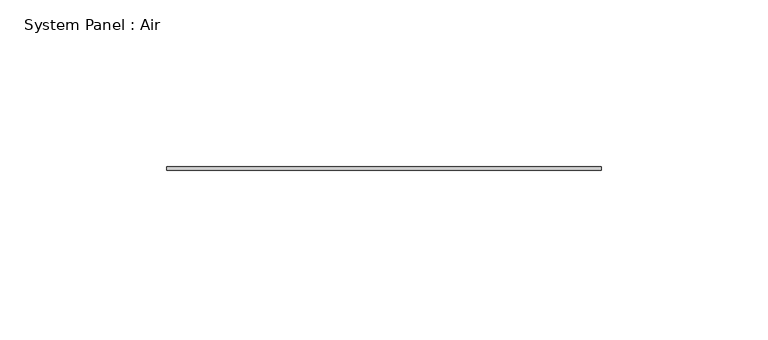
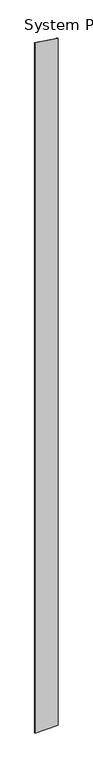
"""IFC4 building model written with IfcOpenShell, lengths in millimetres: plate geometry, System Panel : Air."""

import ifcopenshell
import ifcopenshell.guid

model = None  # the IFC model being written
_history = None  # IfcOwnerHistory: only IFC2X3 demands one
_inside = {}  # id of a spatial element -> (the spatial element, [elements in it])
_under = {}  # id of a project, library or spatial element -> (it, [spatial elements below it])
_declared = {}  # id of a project -> (the project, [libraries it declares])
_typed = {}  # id of a type object -> (the type object, [elements of that type])
_made_of = {}  # id of a material, layer set ... -> (it, [elements and type objects made of it])


def new_model(schema):
    """Start an empty IFC model of exactly this schema.

    Asked for "IFC4X3", IfcOpenShell would pick the latest addendum, in which some entities
    have other attributes; the version numbers below select the first issue.
    IFC2X3 requires an IfcOwnerHistory on every rooted entity: one is made here for all.
    """
    global model, _history
    if schema == "IFC4X3":
        model = ifcopenshell.file(schema_version=(4, 3, 0, 0))
    else:
        model = ifcopenshell.file(schema=schema)
    _inside.clear()
    _under.clear()
    _declared.clear()
    _typed.clear()
    _made_of.clear()
    _history = None
    if model.schema == "IFC2X3":
        org = make("IfcOrganization", Name="unknown")
        user = make(
            "IfcPersonAndOrganization",
            ThePerson=make("IfcPerson", FamilyName="unknown"),
            TheOrganization=org,
        )
        app = make(
            "IfcApplication",
            ApplicationDeveloper=org,
            Version="unknown",
            ApplicationFullName="unknown",
            ApplicationIdentifier="unknown",
        )
        _history = make(
            "IfcOwnerHistory",
            OwningUser=user,
            OwningApplication=app,
            ChangeAction="ADDED",
            CreationDate=0,
        )
    return model


def make(cls, **values):
    """One entity of the class cls with the attributes given. An attribute that is None is left unset."""
    return model.create_entity(
        cls, **{name: value for name, value in values.items() if value is not None}
    )


def rooted(cls, **values):
    """An entity with a GlobalId (a new one), such as an element, a storey or a relation."""
    return make(cls, GlobalId=ifcopenshell.guid.new(), OwnerHistory=_history, **values)


def si_unit(unit_type, name, prefix=None):
    """IfcSIUnit, for example si_unit("LENGTHUNIT", "METRE", prefix="MILLI")."""
    return make("IfcSIUnit", UnitType=unit_type, Prefix=prefix, Name=name)


def assignment(units):
    """IfcUnitAssignment: the units of a project."""
    return None if units is None else make("IfcUnitAssignment", Units=units)


def point(xyz):
    """IfcCartesianPoint."""
    return None if xyz is None else make("IfcCartesianPoint", Coordinates=xyz)


def direction(xyz):
    """IfcDirection."""
    return None if xyz is None else make("IfcDirection", DirectionRatios=xyz)


def frame(location, z_axis=None, x_axis=None):
    """IfcAxis2Placement3D, a coordinate frame: its origin and axes. An axis left out is left unset."""
    return make(
        "IfcAxis2Placement3D",
        Location=point(location),
        Axis=direction(z_axis),
        RefDirection=direction(x_axis),
    )


def origin():
    """The frame at (0, 0, 0) with its axes left unset."""
    return frame((0.0, 0.0, 0.0))


def place(relative_to, where):
    """IfcLocalPlacement: puts the frame where relative to a parent placement (None: the world)."""
    return make(
        "IfcLocalPlacement", PlacementRelTo=relative_to, RelativePlacement=where
    )


def context(
    kind, dimensions, precision=None, world=None, true_north=None, identifier=None
):
    """IfcGeometricRepresentationContext, for example the 3D "Model" context."""
    return make(
        "IfcGeometricRepresentationContext",
        ContextIdentifier=identifier,
        ContextType=kind,
        CoordinateSpaceDimension=dimensions,
        Precision=precision,
        WorldCoordinateSystem=world,
        TrueNorth=true_north,
    )


def project(units=None, contexts=None):
    """IfcProject with its units and contexts."""
    return rooted(
        "IfcProject",
        Name="project",
        RepresentationContexts=contexts,
        UnitsInContext=assignment(units),
    )


def spatial(cls, under=None, at=None, **own):
    """A site, building, storey or space (cls), placed at a placement, below another one or the project."""
    s = rooted(cls, ObjectPlacement=at, **own)
    if under is not None:
        _under.setdefault(under.id(), (under, []))[1].append(s)
    return s


def polyline(points):
    """IfcPolyline through the points."""
    return make("IfcPolyline", Points=[point(p) for p in points])


def outline(outer, holes=None, kind="AREA"):
    """IfcArbitraryClosedProfileDef: a profile drawn as a closed curve; with holes, ...WithVoids."""
    if holes is None:
        return make("IfcArbitraryClosedProfileDef", ProfileType=kind, OuterCurve=outer)
    return make(
        "IfcArbitraryProfileDefWithVoids",
        ProfileType=kind,
        OuterCurve=outer,
        InnerCurves=holes,
    )


def extrude(swept, where, along, depth):
    """IfcExtrudedAreaSolid: the profile swept, set in the frame where, extruded along a direction by depth."""
    return make(
        "IfcExtrudedAreaSolid",
        SweptArea=swept,
        Position=where,
        ExtrudedDirection=direction(along),
        Depth=depth,
    )


def shape(context_of_items, identifier, shape_type, items):
    """IfcShapeRepresentation: the items that make up one representation, for example the "Body"."""
    return make(
        "IfcShapeRepresentation",
        ContextOfItems=context_of_items,
        RepresentationIdentifier=identifier,
        RepresentationType=shape_type,
        Items=items,
    )


def source(mapping_origin, context_of_items, identifier, shape_type, items):
    """IfcRepresentationMap: a shape defined once, which mapped items show again and again."""
    return make(
        "IfcRepresentationMap",
        MappingOrigin=mapping_origin,
        MappedRepresentation=shape(context_of_items, identifier, shape_type, items),
    )


def transform(
    local_origin,
    x_axis=None,
    y_axis=None,
    z_axis=None,
    scale=None,
    scale2=None,
    scale3=None,
    uniform=True,
):
    """IfcCartesianTransformationOperator3D, or its non-uniform kind. x_axis, y_axis, z_axis: its Axis1, 2, 3."""
    if uniform:
        return make(
            "IfcCartesianTransformationOperator3D",
            Axis1=direction(x_axis),
            Axis2=direction(y_axis),
            LocalOrigin=point(local_origin),
            Scale=scale,
            Axis3=direction(z_axis),
        )
    return make(
        "IfcCartesianTransformationOperator3DnonUniform",
        Axis1=direction(x_axis),
        Axis2=direction(y_axis),
        LocalOrigin=point(local_origin),
        Scale=scale,
        Axis3=direction(z_axis),
        Scale2=scale2,
        Scale3=scale3,
    )


def mapped(mapping_source, mapping_target):
    """IfcMappedItem: shows the shape of a source again, moved by a transform."""
    return make(
        "IfcMappedItem", MappingSource=mapping_source, MappingTarget=mapping_target
    )


def made_of(thing, what):
    """Note that an element or type object is made of a material, layer set ...; save() writes the relation."""
    if what is not None:
        _made_of.setdefault(what.id(), (what, []))[1].append(thing)
    return thing


def element(
    cls,
    number,
    at=None,
    inside=None,
    cuts=None,
    type_object=None,
    material=None,
    context=None,
    identifier="Body",
    shape_type=None,
    held_by="IfcProductDefinitionShape",
    body=None,
    shapes=None,
    **own,
):
    """One element of the class cls, such as IfcWall. Its Tag is "e" and its number.

    at: its placement. inside: the storey or other place that contains it. cuts: it is an
    opening in that element (IfcRelVoidsElement). A single representation is given by context,
    identifier, shape_type and body (its items); several are given by shapes. held_by: the class
    of the entity that holds the representations. save() writes the other relations.
    """
    e = rooted(cls, Tag="e%d" % number, ObjectPlacement=at, **own)
    if body is not None:
        shapes = [shape(context, identifier, shape_type, body)]
    if shapes is not None:
        e.Representation = make(held_by, Representations=shapes)
    if inside is not None:
        _inside.setdefault(inside.id(), (inside, []))[1].append(e)
    if cuts is not None:
        rooted(
            "IfcRelVoidsElement", RelatingBuildingElement=cuts, RelatedOpeningElement=e
        )
    if type_object is not None:
        _typed.setdefault(type_object.id(), (type_object, []))[1].append(e)
    return made_of(e, material)


def aggregate(whole, parts):
    """IfcRelAggregates: a whole, such as a stair, and the parts it consists of."""
    return rooted("IfcRelAggregates", RelatingObject=whole, RelatedObjects=parts)


def save(model, path):
    """Write the relations noted so far, then the file.

    IfcRelAggregates (storeys below a building ...), IfcRelContainedInSpatialStructure (elements
    in a storey), IfcRelDefinesByType, IfcRelAssociatesMaterial and IfcRelDeclares: one each for
    every whole, place, type object, material and project.
    """
    for whole, parts in _under.values():
        aggregate(whole, parts)
    for where, things in _inside.values():
        rooted(
            "IfcRelContainedInSpatialStructure",
            RelatedElements=things,
            RelatingStructure=where,
        )
    for kind, things in _typed.values():
        rooted("IfcRelDefinesByType", RelatedObjects=things, RelatingType=kind)
    for what, things in _made_of.values():
        rooted("IfcRelAssociatesMaterial", RelatedObjects=things, RelatingMaterial=what)
    for by, libraries in _declared.values():
        rooted("IfcRelDeclares", RelatingContext=by, RelatedDefinitions=libraries)
    model.write(path)


def system_panel_air_441ed2a2(model_context):
    return source(origin(), model_context, "Body", "SweptSolid", [
        extrude(outline(polyline([(0.0, -65.0), (0.0, 65.0), (4030.2566075, 65.0), (4049.5114612, -65.0), (0.0, -65.0)])), frame((0.0, 36.5, 0.0), z_axis=(0.0, 1.0, 0.0), x_axis=(0.0, 0.0, 1.0)), (0.0, 0.0, 1.0), 1.0),
    ])


if __name__ == "__main__":
    model = new_model("IFC4")
    model_context = context("Model", 3, world=origin())
    ifc_project = project(units=[si_unit("LENGTHUNIT", "METRE", prefix="MILLI")], contexts=[model_context])
    site = spatial("IfcSite", under=ifc_project)
    building = spatial("IfcBuilding", under=site)
    placement = place(None, origin())
    system_panel_air_shape = system_panel_air_441ed2a2(model_context)
    element("IfcPlate", 1, ObjectType="System Panel : Air", at=placement, inside=building, context=model_context, shape_type="MappedRepresentation", body=[
        mapped(system_panel_air_shape, transform((0.0, 0.0, 0.0), x_axis=(1.0, 0.0, 0.0), y_axis=(0.0, 1.0, 0.0), z_axis=(0.0, 0.0, 1.0))),
    ])
    save(model, "model.ifc")
